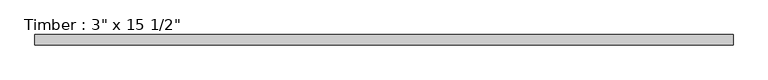
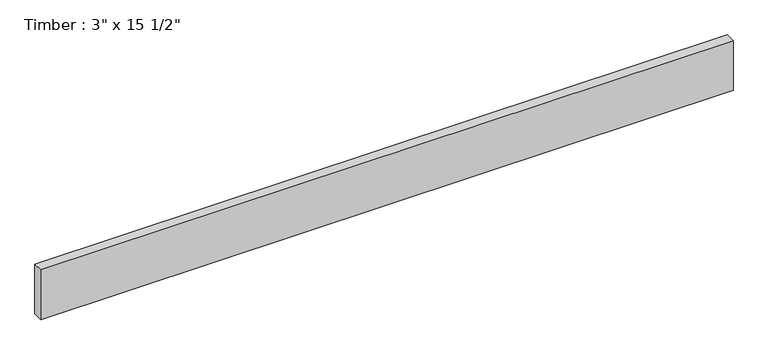
"""IFC4 building model written with IfcOpenShell, lengths in millimetres: beam geometry."""

from ifc_helpers import new_model, si_unit, frame, origin, place, context, project, spatial, polyline, outline, extrude, source, transform, mapped, element, save


def beam_3f53f223(model_context):
    return source(origin(), model_context, "Body", "SweptSolid", [
        extrude(outline(polyline([(2598.3755821, 38.1), (2598.3755821, -38.1), (-2598.3755821, -38.1), (-2598.3755821, 38.1), (2598.3755821, 38.1)])), frame((0.0, 0.0, -196.85), z_axis=(0.0, 0.0, 1.0), x_axis=(1.0, 0.0, 0.0)), (0.0, 0.0, 1.0), 393.7),
    ])


if __name__ == "__main__":
    model = new_model("IFC4")
    model_context = context("Model", 3, world=origin())
    ifc_project = project(units=[si_unit("LENGTHUNIT", "METRE", prefix="MILLI")], contexts=[model_context])
    site = spatial("IfcSite", under=ifc_project)
    building = spatial("IfcBuilding", under=site)
    placement = place(None, origin())
    beam_shape = beam_3f53f223(model_context)
    element("IfcBeam", 1, ObjectType="Timber : 3\" x 15 1/2\"", at=placement, inside=building, context=model_context, shape_type="MappedRepresentation", body=[
        mapped(beam_shape, transform((0.0, 0.0, 0.0), x_axis=(1.0, 0.0, 0.0), y_axis=(0.0, 1.0, 0.0), z_axis=(0.0, 0.0, 1.0))),
    ])
    save(model, "model.ifc")
